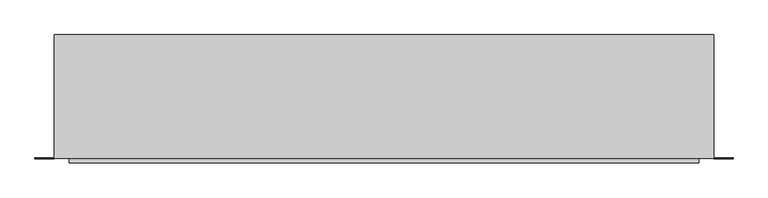
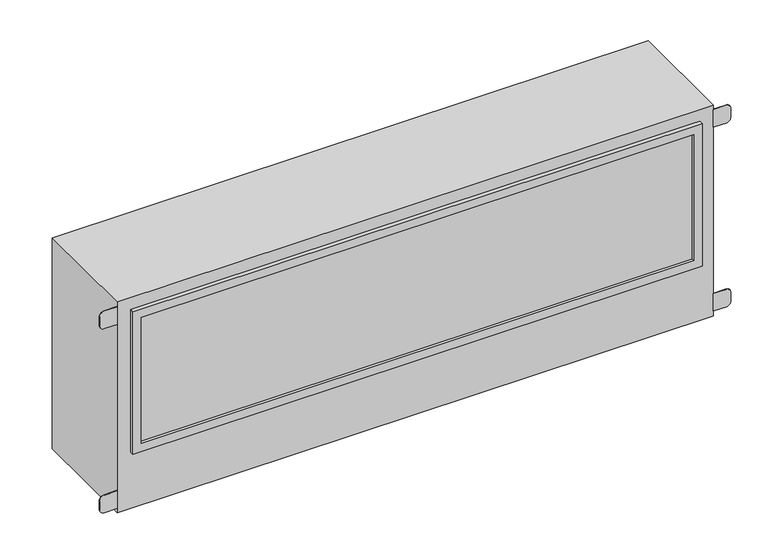
"""IFC4 building model written with IfcOpenShell, lengths in millimetres: proxy geometry."""

from ifc_helpers import new_model, si_unit, point, frame, frame_2d, origin, origin_with_axes, place, context, project, spatial, polyline, circle_curve, trimmed, segment, composite_curve, outline, extrude, source, transform, mapped, element, save


def generic_models_4634fa99(model_context):
    return source(origin(), model_context, "Body", "SweptSolid", [
        extrude(outline(polyline([(769.14375, -159.54375), (-769.14375, -159.54375), (-769.14375, -156.36875), (769.14375, -156.36875), (769.14375, -159.54375)])), frame((0.0, 0.0, 191.29375), z_axis=(0.0, 0.0, 1.0), x_axis=(1.0, 0.0, 0.0)), (0.0, 0.0, 1.0), 373.0625),
        extrude(outline(composite_curve([segment(polyline([(556.7760378, 831.05625), (556.7760378, 866.9903826)]), True, "CONTINUOUS"), segment(trimmed(circle_curve(frame_2d((569.8453022, 866.9903826)), 13.0692643), [point((556.7760378, 866.9903826))], [point((569.8453022, 880.0596469))], False, "CARTESIAN"), True, "CONTINUOUS"), segment(polyline([(569.8453022, 880.0596469), (595.6031727, 880.0596469)]), True, "CONTINUOUS"), segment(trimmed(circle_curve(frame_2d((595.6031727, 867.3710408)), 12.6886061), [point((595.6031727, 880.0596469))], [point((608.2917788, 867.3710408))], False, "CARTESIAN"), True, "CONTINUOUS"), segment(polyline([(608.2917788, 867.3710408), (608.2917788, 831.05625), (556.7760378, 831.05625)]), True, "CONTINUOUS")], self_intersect=False)), frame((0.0, -156.36875, 0.0), z_axis=(0.0, 1.0, 0.0), x_axis=(0.0, 0.0, 1.0)), (0.0, 0.0, 1.0), 1.5875),
        extrude(outline(composite_curve([segment(polyline([(65.5239622, 831.05625), (14.0082212, 831.05625), (14.0082212, 867.3710408)]), True, "CONTINUOUS"), segment(trimmed(circle_curve(frame_2d((26.6968273, 867.3710408)), 12.6886061), [point((14.0082212, 867.3710408))], [point((26.6968273, 880.0596469))], False, "CARTESIAN"), True, "CONTINUOUS"), segment(polyline([(26.6968273, 880.0596469), (52.4546978, 880.0596469)]), True, "CONTINUOUS"), segment(trimmed(circle_curve(frame_2d((52.4546978, 866.9903826)), 13.0692643), [point((52.4546978, 880.0596469))], [point((65.5239622, 866.9903826))], False, "CARTESIAN"), True, "CONTINUOUS"), segment(polyline([(65.5239622, 866.9903826), (65.5239622, 831.05625)]), True, "CONTINUOUS")], self_intersect=False)), frame((0.0, -156.36875, 0.0), z_axis=(0.0, 1.0, 0.0), x_axis=(0.0, 0.0, 1.0)), (0.0, 0.0, 1.0), 1.5875),
        extrude(outline(composite_curve([segment(polyline([(556.7760378, -831.05625), (608.2917788, -831.05625), (608.2917788, -867.3710408)]), True, "CONTINUOUS"), segment(trimmed(circle_curve(frame_2d((595.6031727, -867.3710408)), 12.6886061), [point((608.2917788, -867.3710408))], [point((595.6031727, -880.0596469))], False, "CARTESIAN"), True, "CONTINUOUS"), segment(polyline([(595.6031727, -880.0596469), (569.8453022, -880.0596469)]), True, "CONTINUOUS"), segment(trimmed(circle_curve(frame_2d((569.8453022, -866.9903826)), 13.0692643), [point((569.8453022, -880.0596469))], [point((556.7760378, -866.9903826))], False, "CARTESIAN"), True, "CONTINUOUS"), segment(polyline([(556.7760378, -866.9903826), (556.7760378, -831.05625)]), True, "CONTINUOUS")], self_intersect=False)), frame((0.0, -156.36875, 0.0), z_axis=(0.0, 1.0, 0.0), x_axis=(0.0, 0.0, 1.0)), (0.0, 0.0, 1.0), 1.5875),
        extrude(outline(composite_curve([segment(polyline([(65.5239622, -831.05625), (65.5239622, -866.9903826)]), True, "CONTINUOUS"), segment(trimmed(circle_curve(frame_2d((52.4546978, -866.9903826)), 13.0692643), [point((65.5239622, -866.9903826))], [point((52.4546978, -880.0596469))], False, "CARTESIAN"), True, "CONTINUOUS"), segment(polyline([(52.4546978, -880.0596469), (26.6968273, -880.0596469)]), True, "CONTINUOUS"), segment(trimmed(circle_curve(frame_2d((26.6968273, -867.3710408)), 12.6886061), [point((26.6968273, -880.0596469))], [point((14.0082212, -867.3710408))], False, "CARTESIAN"), True, "CONTINUOUS"), segment(polyline([(14.0082212, -867.3710408), (14.0082212, -831.05625), (65.5239622, -831.05625)]), True, "CONTINUOUS")], self_intersect=False)), frame((0.0, -156.36875, 0.0), z_axis=(0.0, 1.0, 0.0), x_axis=(0.0, 0.0, 1.0)), (0.0, 0.0, 1.0), 1.5875),
        extrude(outline(polyline([(587.375, 793.75), (587.375, -793.75), (166.6875, -793.75), (166.6875, 793.75), (587.375, 793.75)]), holes=[polyline([(562.76875, -769.9375), (562.76875, 769.9375), (191.29375, 769.9375), (191.29375, -769.9375), (562.76875, -769.9375)])]), frame((0.0, -167.48125, 0.0), z_axis=(0.0, 1.0, 0.0), x_axis=(0.0, 0.0, 1.0)), (0.0, 0.0, 1.0), 11.1125),
        extrude(outline(polyline([(831.05625, 156.36875), (831.05625, -156.36875), (-831.05625, -156.36875), (-831.05625, 156.36875), (831.05625, 156.36875)])), origin_with_axes(), (0.0, 0.0, 1.0), 622.3),
    ])


if __name__ == "__main__":
    model = new_model("IFC4")
    model_context = context("Model", 3, world=origin())
    ifc_project = project(units=[si_unit("LENGTHUNIT", "METRE", prefix="MILLI")], contexts=[model_context])
    site = spatial("IfcSite", under=ifc_project)
    building = spatial("IfcBuilding", under=site)
    placement = place(None, origin())
    generic_models_shape = generic_models_4634fa99(model_context)
    element("IfcBuildingElementProxy", 1, Name="Generic Models", at=placement, inside=building, context=model_context, shape_type="MappedRepresentation", body=[
        mapped(generic_models_shape, transform((0.0, 0.0, 0.0), x_axis=(1.0, 0.0, 0.0), y_axis=(0.0, 1.0, 0.0), z_axis=(0.0, 0.0, 1.0))),
    ])
    save(model, "model.ifc")
